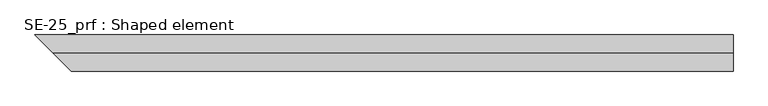
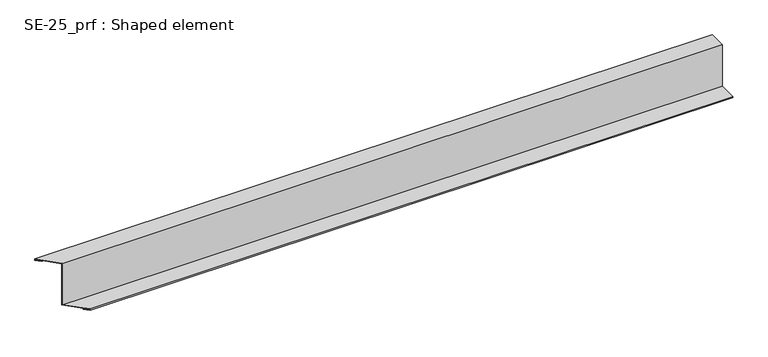
"""IFC4 building model written with IfcOpenShell, lengths in millimetres: proxy geometry, SE-25_prf : Shaped element."""

from ifc_helpers import new_model, si_unit, origin, place, context, project, spatial, faceted_brep, source, transform, mapped, element, save


def se_25_prf_shaped_element_36ffd098(model_context):
    return source(origin(), model_context, "Body", "Brep", [
        faceted_brep([(45.0, -45.0, 2.0), (1510.0, -45.0, 2.0), (1510.0, -45.0, 5.0), (45.0, -45.0, 5.0), (35.0, -35.0, 2.0), (1510.0, -35.0, 2.0), (35.0, -35.0, 3.0), (1510.0, -35.0, 3.0), (44.0, -44.0, 3.0), (1510.0, -44.0, 3.0), (44.0, -44.0, 4.0), (1510.0, -44.0, 4.0), (4.0, -4.0, 4.0), (1510.0, -4.0, 4.0), (4.0, -4.0, 104.0), (1510.0, -4.0, 104.0), (0.0, 0.0, 104.0), (-34.0, 34.0, 104.0), (1510.0, 34.0, 104.0), (1510.0, 0.0, 104.0), (5.0, -5.0, 105.0), (1510.0, -5.0, 105.0), (1510.0, 0.0, 105.0), (1510.0, 35.0, 105.0), (-35.0, 35.0, 105.0), (0.0, 0.0, 105.0), (5.0, -5.0, 5.0), (1510.0, -5.0, 5.0), (-34.0, 34.0, 103.0), (1510.0, 34.0, 103.0), (-25.0, 25.0, 103.0), (1510.0, 25.0, 103.0), (-25.0, 25.0, 102.0), (1510.0, 25.0, 102.0), (-35.0, 35.0, 102.0), (1510.0, 35.0, 102.0)], [[[0, 1, 2, 3]], [[4, 5, 1, 0]], [[6, 7, 5, 4]], [[8, 9, 7, 6]], [[10, 11, 9, 8]], [[12, 13, 11, 10]], [[14, 15, 13, 12]], [[16, 17, 18, 19, 15, 14]], [[20, 21, 22, 23, 24, 25]], [[26, 27, 21, 20]], [[3, 2, 27, 26]], [[28, 29, 18, 17]], [[30, 31, 29, 28]], [[32, 33, 31, 30]], [[34, 35, 33, 32]], [[24, 23, 35, 34]], [[16, 14, 12, 10, 8, 6, 4, 0, 3, 26, 20, 25]], [[25, 24, 34, 32, 30, 28, 17, 16]], [[22, 21, 27, 2, 1, 5, 7, 9, 11, 13, 15, 19]], [[19, 18, 29, 31, 33, 35, 23, 22]]]),
    ])


if __name__ == "__main__":
    model = new_model("IFC4")
    model_context = context("Model", 3, world=origin())
    ifc_project = project(units=[si_unit("LENGTHUNIT", "METRE", prefix="MILLI")], contexts=[model_context])
    site = spatial("IfcSite", under=ifc_project)
    building = spatial("IfcBuilding", under=site)
    placement = place(None, origin())
    se_25_prf_shaped_element_shape = se_25_prf_shaped_element_36ffd098(model_context)
    element("IfcBuildingElementProxy", 1, Name="SE-25_prf : Shaped element", ObjectType="SE-25_prf : Shaped element", at=placement, inside=building, context=model_context, shape_type="MappedRepresentation", body=[
        mapped(se_25_prf_shaped_element_shape, transform((0.0, 0.0, 0.0), x_axis=(1.0, 0.0, 0.0), y_axis=(0.0, 1.0, 0.0), z_axis=(0.0, 0.0, 1.0))),
    ])
    save(model, "model.ifc")
